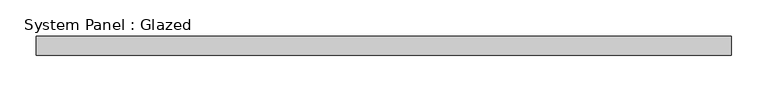
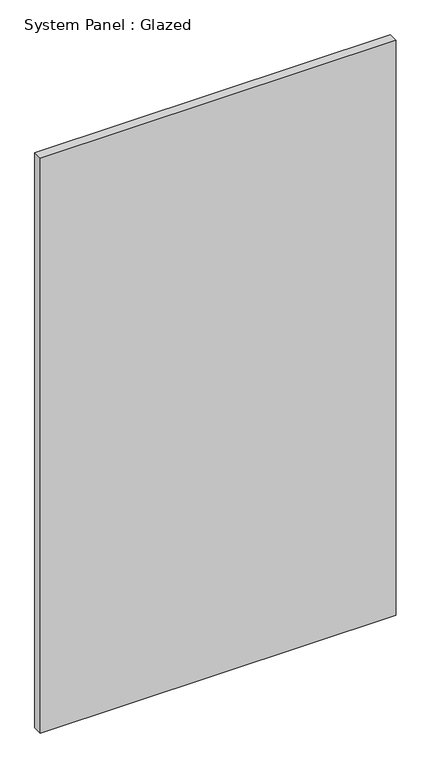
"""IFC4 building model written with IfcOpenShell, lengths in millimetres: plate geometry, System Panel : Glazed."""

from ifc_helpers import new_model, si_unit, origin, origin_with_axes, place, context, project, spatial, polyline, outline, extrude, source, transform, mapped, element, save


def system_panel_glazed_16489fe3(model_context):
    return source(origin(), model_context, "Body", "SweptSolid", [
        extrude(outline(polyline([(476.25, -12.7), (-476.25, -12.7), (-476.25, 12.7), (476.25, 12.7), (476.25, -12.7)])), origin_with_axes(), (0.0, 0.0, 1.0), 1625.6),
    ])


if __name__ == "__main__":
    model = new_model("IFC4")
    model_context = context("Model", 3, world=origin())
    ifc_project = project(units=[si_unit("LENGTHUNIT", "METRE", prefix="MILLI")], contexts=[model_context])
    site = spatial("IfcSite", under=ifc_project)
    building = spatial("IfcBuilding", under=site)
    placement = place(None, origin())
    system_panel_glazed_shape = system_panel_glazed_16489fe3(model_context)
    element("IfcPlate", 1, ObjectType="System Panel : Glazed", at=placement, inside=building, context=model_context, shape_type="MappedRepresentation", body=[
        mapped(system_panel_glazed_shape, transform((0.0, 0.0, 0.0), x_axis=(1.0, 0.0, 0.0), y_axis=(0.0, 1.0, 0.0), z_axis=(0.0, 0.0, 1.0))),
    ])
    save(model, "model.ifc")
